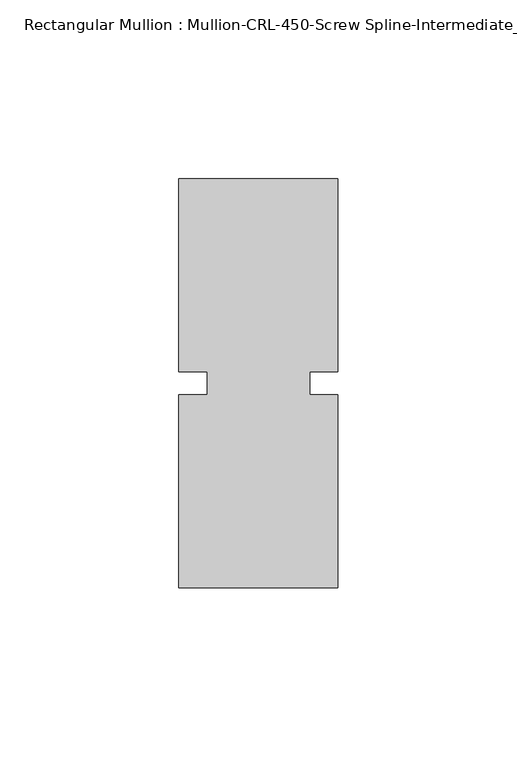
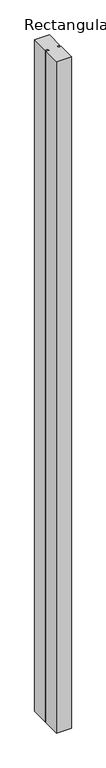
"""IFC4 building model written with IfcOpenShell, lengths in millimetres: member geometry, Rectangular Mullion : Mullion-CRL-450-Screw Spline-Intermediate_Vertical."""

from ifc_helpers import new_model, si_unit, frame, origin, place, context, project, spatial, polyline, outline, extrude, source, transform, mapped, element, save


def rectangular_mullion_mullion_crl_450_screw_spline_a5a61774(model_context):
    return source(origin(), model_context, "Body", "SweptSolid", [
        extrude(outline(polyline([(-22.2250071, -3.175), (-14.2875071, -3.175), (-14.2875071, 3.175), (-22.2250071, 3.175), (-22.2250071, 57.15), (22.2250071, 57.15), (22.2250071, 3.175), (14.2875071, 3.175), (14.2875071, -3.175), (22.2250071, -3.175), (22.2250071, -57.15), (-22.2250071, -57.15), (-22.2250071, -3.175)])), frame((0.0, 0.0, -2139.95), z_axis=(0.0, 0.0, 1.0), x_axis=(1.0, 0.0, 0.0)), (0.0, 0.0, 1.0), 2139.95),
    ])


if __name__ == "__main__":
    model = new_model("IFC4")
    model_context = context("Model", 3, world=origin())
    ifc_project = project(units=[si_unit("LENGTHUNIT", "METRE", prefix="MILLI")], contexts=[model_context])
    site = spatial("IfcSite", under=ifc_project)
    building = spatial("IfcBuilding", under=site)
    placement = place(None, origin())
    rectangular_mullion_mullion_crl_450_screw_spline_shape = rectangular_mullion_mullion_crl_450_screw_spline_a5a61774(model_context)
    element("IfcMember", 1, ObjectType="Rectangular Mullion : Mullion-CRL-450-Screw Spline-Intermediate_Vertical", at=placement, inside=building, context=model_context, shape_type="MappedRepresentation", body=[
        mapped(rectangular_mullion_mullion_crl_450_screw_spline_shape, transform((0.0, 0.0, 0.0), x_axis=(1.0, 0.0, 0.0), y_axis=(0.0, 1.0, 0.0), z_axis=(0.0, 0.0, 1.0))),
    ])
    save(model, "model.ifc")
